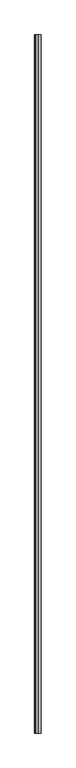
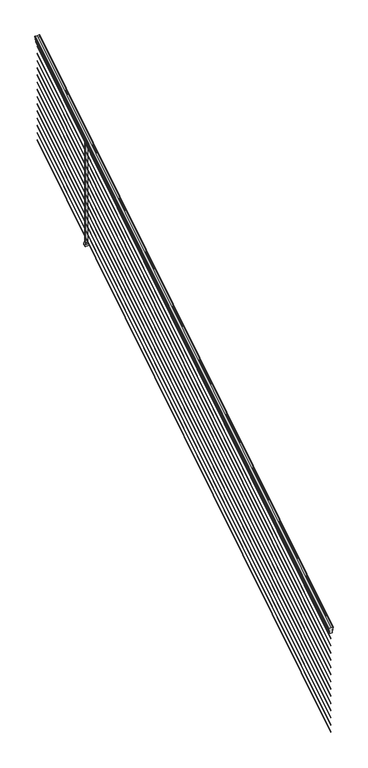
"""IFC4 building model written with IfcOpenShell, lengths in millimetres: railing geometry."""

from ifc_helpers import new_model, si_unit, frame, origin, place, context, project, spatial, polyline, ellipse_curve, outline, extrude, faceted_brep, source, transform, mapped, element, save
from ifc_brep_helpers import plane_surface, cylinder_surface, revolved_surface, advanced_brep


def railing_9344db56(model_context):
    return source(origin(), model_context, "Body", "SolidModel", [
        advanced_brep(
        [(10037.832944, -103155.6628453, 1285.6070492), (10040.4067728, -103155.6628453, 1285.6070492), (10040.4067728, -103155.6628453, 1273.0394336), (10039.3907728, -103155.6628453, 1271.841318), (10039.3907728, -103155.6628453, 1257.3), (10071.1407728, -103155.6628453, 1257.3), (10071.1407728, -103155.6628453, 1272.0274214), (10070.1247728, -103155.6628453, 1273.225537), (10070.1247728, -103155.6628453, 1285.6070492), (10072.6986015, -103155.6628453, 1285.6070492), (10072.6986015, -103155.6628453, 1287.8335658), (10073.8287878, -103155.6628453, 1289.6758543), (10073.8287878, -103155.6628453, 1298.1876358), (10073.1795314, -103155.6628453, 1301.0572588), (10075.6795314, -103155.6628453, 1306.1635509), (10077.0888739, -103155.6628453, 1308.1442021), (10077.4907729, -103155.6628453, 1309.4469579), (10077.4907728, -103155.6628453, 1311.0274846), (10075.9373255, -103155.6628453, 1312.8593836), (10055.2657728, -103155.6628453, 1312.8593836), (10034.59422, -103155.6628453, 1312.8593836), (10033.0407728, -103155.6628453, 1311.0274846), (10033.0407728, -103155.6628453, 1309.4469579), (10033.4426717, -103155.6628453, 1308.1442021), (10034.8520141, -103155.6628453, 1306.1635509), (10037.3520141, -103155.6628453, 1301.0572588), (10036.7027577, -103155.6628453, 1298.1876358), (10036.7027577, -103155.6628453, 1289.6758543), (10037.832944, -103155.6628453, 1287.8335658), (10037.832944, -98278.8628453, 4333.6070492), (10037.832944, -98278.8628453, 4335.8335658), (10036.7027577, -98278.8628453, 4337.6758543), (10036.7027577, -98278.8628453, 4346.1876358), (10037.3520141, -98278.8628453, 4349.0572588), (10034.8520141, -98278.8628453, 4354.1635509), (10033.4426717, -98278.8628453, 4356.1442021), (10033.0407727, -98278.8628453, 4357.4469579), (10033.0407728, -98278.8628453, 4359.0274846), (10034.59422, -98278.8628453, 4360.8593836), (10055.2657728, -98278.8628453, 4360.8593836), (10075.9373255, -98278.8628453, 4360.8593836), (10077.4907728, -98278.8628453, 4359.0274846), (10077.4907728, -98278.8628453, 4357.4469579), (10077.0888739, -98278.8628453, 4356.1442021), (10075.6795314, -98278.8628453, 4354.1635509), (10073.1795314, -98278.8628453, 4349.0572588), (10073.8287878, -98278.8628453, 4346.1876358), (10073.8287878, -98278.8628453, 4337.6758543), (10072.6986015, -98278.8628453, 4335.8335658), (10072.6986015, -98278.8628453, 4333.6070492), (10070.1247728, -98278.8628453, 4333.6070492), (10070.1247728, -98278.8628453, 4321.225537), (10071.1407728, -98278.8628453, 4320.0274214), (10071.1407728, -98278.8628453, 4305.3), (10039.3907728, -98278.8628453, 4305.3), (10039.3907728, -98278.8628453, 4319.841318), (10040.4067728, -98278.8628453, 4321.0394336), (10040.4067728, -98278.8628453, 4333.6070492)],
        [
            (0, 1, ellipse_curve(frame((10039.1198584, -103155.6628453, 1285.6070492), z_axis=(0.0, -1.0, 0.0), x_axis=(0.0, 0.0, -1.0)), 1.5175907, 1.2869144)),
            (1, 2),
            (2, 3),
            (3, 4),
            (4, 5),
            (5, 6),
            (6, 7),
            (7, 8),
            (8, 9, ellipse_curve(frame((10071.4116871, -103155.6628453, 1285.6070492), z_axis=(0.0, -1.0, 0.0), x_axis=(0.0, 0.0, -1.0)), 1.5175907, 1.2869144)),
            (9, 10),
            (10, 11, ellipse_curve(frame((10066.3838482, -103155.6628453, 1294.6239405), z_axis=(0.0, -1.0, 0.0), x_axis=(0.0, 0.0, -1.0)), 10.0777926, 8.545951)),
            (11, 12, ellipse_curve(frame((10066.8209112, -103155.6628453, 1293.9317451), z_axis=(0.0, -1.0, 0.0), x_axis=(0.0, 0.0, -1.0)), 9.2955186, 7.882584)),
            (12, 13, ellipse_curve(frame((10077.3342353, -103155.6628453, 1300.8275077), z_axis=(0.0, 1.0, 0.0), x_axis=(0.0, 0.0, 1.0)), 4.9048088, 4.1592695)),
            (13, 14, ellipse_curve(frame((10078.6215419, -103155.6628453, 1300.7563208), z_axis=(0.0, 1.0, 0.0), x_axis=(0.0, 0.0, 1.0)), 6.4245301, 5.4479907)),
            (14, 15, ellipse_curve(frame((10077.3883834, -103155.6628453, 1306.1602333), z_axis=(0.0, 1.0, 0.0), x_axis=(0.0, 0.0, 1.0)), 2.0151625, 1.7088543)),
            (15, 16, ellipse_curve(frame((10075.7714833, -103155.6628453, 1309.4469579), z_axis=(0.0, -1.0, 0.0), x_axis=(0.0, 0.0, -1.0)), 2.0274681, 1.7192895)),
            (16, 17),
            (17, 18, ellipse_curve(frame((10075.9373255, -103155.6628453, 1311.0274846), z_axis=(0.0, -1.0, 0.0), x_axis=(0.0, 0.0, -1.0)), 1.831899, 1.5534472)),
            (18, 19),
            (19, 20),
            (20, 21, ellipse_curve(frame((10034.59422, -103155.6628453, 1311.0274846), z_axis=(0.0, -1.0, 0.0), x_axis=(0.0, 0.0, -1.0)), 1.831899, 1.5534472)),
            (21, 22),
            (22, 23, ellipse_curve(frame((10034.7600622, -103155.6628453, 1309.4469579), z_axis=(0.0, -1.0, 0.0), x_axis=(0.0, 0.0, -1.0)), 2.0274681, 1.7192895)),
            (23, 24, ellipse_curve(frame((10033.1431621, -103155.6628453, 1306.1602333), z_axis=(0.0, 1.0, 0.0), x_axis=(0.0, 0.0, 1.0)), 2.0151625, 1.7088543)),
            (24, 25, ellipse_curve(frame((10031.9100037, -103155.6628453, 1300.7563208), z_axis=(0.0, 1.0, 0.0), x_axis=(0.0, 0.0, 1.0)), 6.4245301, 5.4479907)),
            (25, 26, ellipse_curve(frame((10033.1973102, -103155.6628453, 1300.8275077), z_axis=(0.0, 1.0, 0.0), x_axis=(0.0, 0.0, 1.0)), 4.9048088, 4.1592695)),
            (26, 27, ellipse_curve(frame((10043.7106343, -103155.6628453, 1293.9317451), z_axis=(0.0, -1.0, 0.0), x_axis=(0.0, 0.0, -1.0)), 9.2955186, 7.882584)),
            (27, 28, ellipse_curve(frame((10044.1476973, -103155.6628453, 1294.6239405), z_axis=(0.0, -1.0, 0.0), x_axis=(0.0, 0.0, -1.0)), 10.0777926, 8.545951)),
            (28, 0),
            (29, 30),
            (30, 31, ellipse_curve(frame((10044.1476973, -98278.8628453, 4342.6239405), z_axis=(0.0, 1.0, 0.0), x_axis=(0.0, 0.0, -1.0)), 10.0777926, 8.545951)),
            (31, 32, ellipse_curve(frame((10043.7106343, -98278.8628453, 4341.9317451), z_axis=(0.0, 1.0, 0.0), x_axis=(0.0, 0.0, -1.0)), 9.2955186, 7.882584)),
            (32, 33, ellipse_curve(frame((10033.1973102, -98278.8628453, 4348.8275077), z_axis=(0.0, -1.0, 0.0), x_axis=(0.0, 0.0, 1.0)), 4.9048088, 4.1592695)),
            (33, 34, ellipse_curve(frame((10031.9100037, -98278.8628453, 4348.7563208), z_axis=(0.0, -1.0, 0.0), x_axis=(0.0, 0.0, 1.0)), 6.4245301, 5.4479907)),
            (34, 35, ellipse_curve(frame((10033.1431621, -98278.8628453, 4354.1602333), z_axis=(0.0, -1.0, 0.0), x_axis=(0.0, 0.0, 1.0)), 2.0151625, 1.7088543)),
            (35, 36, ellipse_curve(frame((10034.7600622, -98278.8628453, 4357.4469579), z_axis=(0.0, 1.0, 0.0), x_axis=(0.0, 0.0, -1.0)), 2.0274681, 1.7192895)),
            (36, 37),
            (37, 38, ellipse_curve(frame((10034.59422, -98278.8628453, 4359.0274846), z_axis=(0.0, 1.0, 0.0), x_axis=(0.0, 0.0, -1.0)), 1.831899, 1.5534472)),
            (38, 39),
            (39, 40),
            (40, 41, ellipse_curve(frame((10075.9373255, -98278.8628453, 4359.0274846), z_axis=(0.0, 1.0, 0.0), x_axis=(0.0, 0.0, -1.0)), 1.831899, 1.5534472)),
            (41, 42),
            (42, 43, ellipse_curve(frame((10075.7714833, -98278.8628453, 4357.4469579), z_axis=(0.0, 1.0, 0.0), x_axis=(0.0, 0.0, -1.0)), 2.0274681, 1.7192895)),
            (43, 44, ellipse_curve(frame((10077.3883834, -98278.8628453, 4354.1602333), z_axis=(0.0, -1.0, 0.0), x_axis=(0.0, 0.0, 1.0)), 2.0151625, 1.7088543)),
            (44, 45, ellipse_curve(frame((10078.6215419, -98278.8628453, 4348.7563208), z_axis=(0.0, -1.0, 0.0), x_axis=(0.0, 0.0, 1.0)), 6.4245301, 5.4479907)),
            (45, 46, ellipse_curve(frame((10077.3342353, -98278.8628453, 4348.8275077), z_axis=(0.0, -1.0, 0.0), x_axis=(0.0, 0.0, 1.0)), 4.9048088, 4.1592695)),
            (46, 47, ellipse_curve(frame((10066.8209112, -98278.8628453, 4341.9317451), z_axis=(0.0, 1.0, 0.0), x_axis=(0.0, 0.0, -1.0)), 9.2955186, 7.882584)),
            (47, 48, ellipse_curve(frame((10066.3838482, -98278.8628453, 4342.6239405), z_axis=(0.0, 1.0, 0.0), x_axis=(0.0, 0.0, -1.0)), 10.0777926, 8.545951)),
            (48, 49),
            (49, 50, ellipse_curve(frame((10071.4116871, -98278.8628453, 4333.6070492), z_axis=(0.0, 1.0, 0.0), x_axis=(0.0, 0.0, -1.0)), 1.5175907, 1.2869144)),
            (50, 51),
            (51, 52),
            (52, 53),
            (53, 54),
            (54, 55),
            (55, 56),
            (56, 57),
            (57, 29, ellipse_curve(frame((10039.1198584, -98278.8628453, 4333.6070492), z_axis=(0.0, 1.0, 0.0), x_axis=(0.0, 0.0, -1.0)), 1.5175907, 1.2869144)),
            (28, 30),
            (29, 0),
            (27, 31),
            (26, 32),
            (25, 33),
            (24, 34),
            (23, 35),
            (22, 36),
            (21, 37),
            (20, 38),
            (19, 39),
            (18, 40),
            (17, 41),
            (16, 42),
            (15, 43),
            (14, 44),
            (13, 45),
            (12, 46),
            (11, 47),
            (10, 48),
            (9, 49),
            (8, 50),
            (7, 51),
            (6, 52),
            (5, 53),
            (4, 54),
            (3, 55),
            (2, 56),
            (1, 57),
        ],
        [
            plane_surface(frame((10055.2657728, -103155.6628453, 1257.3), z_axis=(0.0, -1.0, 0.0), x_axis=(0.0, 0.0, 1.0))),
            plane_surface(frame((10055.2657728, -98278.8628453, 4305.3), z_axis=(0.0, 1.0, 0.0), x_axis=(0.0, 0.0, 1.0))),
            plane_surface(frame((10037.832944, -103155.6628453, 1287.8335658), z_axis=(-1.0, 0.0, 0.0), x_axis=(0.0, 0.8479983040051252, 0.5299989400031204))),
            cylinder_surface(frame((10044.1476973, -103172.43765, 1284.1396876), z_axis=(0.0, -0.8479983040051253, -0.5299989400031204), x_axis=(1.0, 0.0, 0.0)), 8.545951),
            cylinder_surface(frame((10043.7106343, -103172.1265509, 1283.641929), z_axis=(0.0, -0.8479983040051253, -0.5299989400031204), x_axis=(1.0, 0.0, 0.0)), 7.882584),
            revolved_surface(polyline([(10037.3565797, -98276.65843685035, 4350.2052629805585), (10037.3565797, -103157.86725374944, 1299.449752419102)]), (10033.1973102, -103175.2257701, 1288.6006797), (0.0, 0.8479983040051253, 0.5299989400031204)),
            revolved_surface(polyline([(10037.357994400001, -98275.97541603574, 4350.5609640771845), (10037.357994400001, -103158.5502745528, 1298.9516775044929)]), (10031.9100037, -103175.193776, 1288.5494891), (0.0, 0.8479983040051253, 0.5299989400031204)),
            revolved_surface(polyline([(10034.8520164, -98277.95715429979, 4354.726290199658), (10034.8520164, -103156.56853632248, 1305.5941764359545)]), (10033.1431621, -103177.6225007, 1292.4354487), (0.0, 0.8479983040051253, 0.5299989400031204)),
            cylinder_surface(frame((10034.7600622, -103179.0996803, 1294.798936), z_axis=(0.0, -0.8479983040051253, -0.5299989400031204), x_axis=(1.0, 0.0, 0.0)), 1.7192895),
            plane_surface(frame((10033.0407728, -103155.6628453, 1311.0274846), z_axis=(-1.0000000000000002, 0.0, 0.0), x_axis=(0.0, 0.8479983040051253, 0.5299989400031204))),
            cylinder_surface(frame((10034.59422, -103179.8100294, 1295.9354945), z_axis=(0.0, -0.8479983040051253, -0.5299989400031204), x_axis=(1.0, 0.0, 0.0)), 1.5534472),
            plane_surface(frame((10055.2657728, -103155.6628453, 1312.8593836), z_axis=(0.0, -0.5299989400031204, 0.8479983040051252), x_axis=(0.0, 0.8479983040051252, 0.5299989400031204))),
            plane_surface(frame((10075.9373255, -103155.6628453, 1312.8593836), z_axis=(0.0, -0.5299989400031204, 0.8479983040051252), x_axis=(0.0, 0.8479983040051252, 0.5299989400031204))),
            cylinder_surface(frame((10075.9373255, -103179.8100294, 1295.9354945), z_axis=(0.0, -0.8479983040051253, -0.5299989400031204), x_axis=(-1.0, 0.0, 0.0)), 1.5534472),
            plane_surface(frame((10077.4907728, -103155.6628453, 1309.4469579), z_axis=(1.0, 0.0, 0.0), x_axis=(0.0, 0.8479983040051252, 0.5299989400031204))),
            cylinder_surface(frame((10075.7714833, -103179.0996803, 1294.798936), z_axis=(0.0, -0.8479983040051253, -0.5299989400031204), x_axis=(-1.0, 0.0, 0.0)), 1.7192895),
            revolved_surface(polyline([(10075.6795291, -98277.95715429979, 4354.726290199658), (10075.6795291, -103156.56853632248, 1305.5941764359545)]), (10077.3883834, -103177.6225007, 1292.4354487), (0.0, 0.8479983040051253, 0.5299989400031204)),
            revolved_surface(polyline([(10073.1735512, -98275.97541603574, 4350.5609640771845), (10073.1735512, -103158.5502745528, 1298.9516775044929)]), (10078.6215419, -103175.193776, 1288.5494891), (0.0, 0.8479983040051253, 0.5299989400031204)),
            revolved_surface(polyline([(10073.1749658, -98276.65843685035, 4350.2052629805585), (10073.1749658, -103157.86725374944, 1299.449752419102)]), (10077.3342353, -103175.2257701, 1288.6006797), (0.0, 0.8479983040051253, 0.5299989400031204)),
            cylinder_surface(frame((10066.8209112, -103172.1265509, 1283.641929), z_axis=(0.0, -0.8479983040051253, -0.5299989400031204), x_axis=(-1.0, 0.0, 0.0)), 7.882584),
            cylinder_surface(frame((10066.3838482, -103172.43765, 1284.1396876), z_axis=(0.0, -0.8479983040051253, -0.5299989400031204), x_axis=(-1.0, 0.0, 0.0)), 8.545951),
            plane_surface(frame((10072.6986015, -103155.6628453, 1285.6070492), z_axis=(1.0, 0.0, 0.0), x_axis=(0.0, 0.8479983040051252, 0.5299989400031204))),
            cylinder_surface(frame((10071.4116871, -103168.3851146, 1277.6556309), z_axis=(0.0, -0.8479983040051253, -0.5299989400031204), x_axis=(-1.0, 0.0, 0.0)), 1.2869144),
            plane_surface(frame((10070.1247728, -103155.6628453, 1273.225537), z_axis=(1.0, 0.0, 0.0), x_axis=(0.0, 0.8479983040051252, 0.5299989400031204))),
            plane_surface(frame((10071.1407728, -103155.6628453, 1272.0274214), z_axis=(0.7071067811865425, -0.3747658444978923, 0.5996253511967194), x_axis=(0.0, 0.8479983040051252, 0.5299989400031204))),
            plane_surface(frame((10071.1407728, -103155.6628453, 1257.3), z_axis=(1.0, 0.0, 0.0), x_axis=(0.0, 0.8479983040051252, 0.5299989400031204))),
            plane_surface(frame((10039.3907728, -103155.6628453, 1257.3), z_axis=(0.0, 0.5299989400031204, -0.8479983040051252), x_axis=(0.0, 0.8479983040051252, 0.5299989400031204))),
            plane_surface(frame((10039.3907728, -103155.6628453, 1271.841318), z_axis=(-1.0, 0.0, 0.0), x_axis=(0.0, 0.8479983040051253, 0.5299989400031203))),
            plane_surface(frame((10040.4067728, -103155.6628453, 1273.0394336), z_axis=(-0.7071067811865404, -0.3747658444978917, 0.5996253511967224), x_axis=(0.0, 0.8479983040051253, 0.5299989400031204))),
            plane_surface(frame((10040.4067728, -103155.6628453, 1285.6070492), z_axis=(-1.0, 0.0, 0.0), x_axis=(0.0, 0.8479983040051252, 0.5299989400031204))),
            cylinder_surface(frame((10039.1198584, -103168.3851146, 1277.6556309), z_axis=(0.0, -0.8479983040051253, -0.5299989400031204), x_axis=(1.0, 0.0, 0.0)), 1.2869144),
        ],
        [
            (0, [[1, 2, 3, 4, 5, 6, 7, 8, 9, 10, 11, 12, 13, 14, 15, 16, 17, 18, 19, 20, 21, 22, 23, 24, 25, 26, 27, 28, 29]]),
            (1, [[30, 31, 32, 33, 34, 35, 36, 37, 38, 39, 40, 41, 42, 43, 44, 45, 46, 47, 48, 49, 50, 51, 52, 53, 54, 55, 56, 57, 58]]),
            (2, [[-29, 59, -30, 60]]),
            (3, [[-28, 61, -31, -59]]),
            (4, [[-27, 62, -32, -61]]),
            (5, [[-26, 63, -33, -62]]),
            (6, [[-25, 64, -34, -63]]),
            (7, [[-24, 65, -35, -64]]),
            (8, [[-23, 66, -36, -65]]),
            (9, [[-22, 67, -37, -66]]),
            (10, [[-21, 68, -38, -67]]),
            (11, [[-20, 69, -39, -68]]),
            (12, [[-19, 70, -40, -69]]),
            (13, [[-18, 71, -41, -70]]),
            (14, [[-17, 72, -42, -71]]),
            (15, [[-16, 73, -43, -72]]),
            (16, [[-15, 74, -44, -73]]),
            (17, [[-14, 75, -45, -74]]),
            (18, [[-13, 76, -46, -75]]),
            (19, [[-12, 77, -47, -76]]),
            (20, [[-11, 78, -48, -77]]),
            (21, [[-10, 79, -49, -78]]),
            (22, [[-9, 80, -50, -79]]),
            (23, [[-8, 81, -51, -80]]),
            (24, [[-7, 82, -52, -81]]),
            (25, [[-6, 83, -53, -82]]),
            (26, [[-5, 84, -54, -83]]),
            (27, [[-4, 85, -55, -84]]),
            (28, [[-3, 86, -56, -85]]),
            (29, [[-2, 87, -57, -86]]),
            (30, [[-1, -60, -58, -87]]),
        ],
    ),
        advanced_brep(
        [(10056.8532728, -103155.6628453, 255.524), (10055.2657728, -103155.6628453, 257.3960556), (10053.6782728, -103155.6628453, 255.524), (10055.2657728, -103155.6628453, 253.6519444), (10056.8532728, -98278.8628453, 3303.524), (10055.2657728, -98278.8628453, 3301.6519444), (10053.6782728, -98278.8628453, 3303.524), (10055.2657728, -98278.8628453, 3305.3960556)],
        [
            (0, 1, ellipse_curve(frame((10055.2657728, -103155.6628453, 255.524), z_axis=(0.0, -1.0, 0.0), x_axis=(0.0, 0.0, -1.0)), 1.8720556, 1.5875)),
            (1, 2, ellipse_curve(frame((10055.2657728, -103155.6628453, 255.524), z_axis=(0.0, -1.0, 0.0), x_axis=(0.0, 0.0, -1.0)), 1.8720556, 1.5875)),
            (2, 3, ellipse_curve(frame((10055.2657728, -103155.6628453, 255.524), z_axis=(0.0, -1.0, 0.0), x_axis=(0.0, 0.0, -1.0)), 1.8720556, 1.5875)),
            (3, 0, ellipse_curve(frame((10055.2657728, -103155.6628453, 255.524), z_axis=(0.0, -1.0, 0.0), x_axis=(0.0, 0.0, -1.0)), 1.8720556, 1.5875)),
            (4, 5, ellipse_curve(frame((10055.2657728, -98278.8628453, 3303.524), z_axis=(0.0, 1.0, 0.0), x_axis=(0.0, 0.0, -1.0)), 1.8720556, 1.5875)),
            (5, 6, ellipse_curve(frame((10055.2657728, -98278.8628453, 3303.524), z_axis=(0.0, 1.0, 0.0), x_axis=(0.0, 0.0, -1.0)), 1.8720556, 1.5875)),
            (6, 7, ellipse_curve(frame((10055.2657728, -98278.8628453, 3303.524), z_axis=(0.0, 1.0, 0.0), x_axis=(0.0, 0.0, -1.0)), 1.8720556, 1.5875)),
            (7, 4, ellipse_curve(frame((10055.2657728, -98278.8628453, 3303.524), z_axis=(0.0, 1.0, 0.0), x_axis=(0.0, 0.0, -1.0)), 1.8720556, 1.5875)),
            (3, 5),
            (4, 0),
            (2, 6),
            (1, 7),
        ],
        [
            plane_surface(frame((10055.2657728, -103155.6628453, 255.524), z_axis=(0.0, -1.0, 0.0), x_axis=(0.0, 0.0, 1.0))),
            plane_surface(frame((10055.2657728, -98278.8628453, 3303.524), z_axis=(0.0, 1.0, 0.0), x_axis=(0.0, 0.0, 1.0))),
            cylinder_surface(frame((10055.2657728, -103155.6628453, 255.524), z_axis=(0.0, -0.8479983040051253, -0.5299989400031204), x_axis=(1.0, 0.0, 0.0)), 1.5875),
        ],
        [
            (0, [[1, 2, 3, 4]]),
            (1, [[5, 6, 7, 8]]),
            (2, [[-4, 9, -5, 10]]),
            (2, [[-3, 11, -6, -9]]),
            (2, [[-2, 12, -7, -11]]),
            (2, [[-1, -10, -8, -12]]),
        ],
    ),
        advanced_brep(
        [(10056.8532728, -103155.6628453, 328.676), (10055.2657728, -103155.6628453, 330.5480556), (10053.6782728, -103155.6628453, 328.676), (10055.2657728, -103155.6628453, 326.8039444), (10056.8532728, -98278.8628453, 3376.676), (10055.2657728, -98278.8628453, 3374.8039444), (10053.6782728, -98278.8628453, 3376.676), (10055.2657728, -98278.8628453, 3378.5480556)],
        [
            (0, 1, ellipse_curve(frame((10055.2657728, -103155.6628453, 328.676), z_axis=(0.0, -1.0, 0.0), x_axis=(0.0, 0.0, -1.0)), 1.8720556, 1.5875)),
            (1, 2, ellipse_curve(frame((10055.2657728, -103155.6628453, 328.676), z_axis=(0.0, -1.0, 0.0), x_axis=(0.0, 0.0, -1.0)), 1.8720556, 1.5875)),
            (2, 3, ellipse_curve(frame((10055.2657728, -103155.6628453, 328.676), z_axis=(0.0, -1.0, 0.0), x_axis=(0.0, 0.0, -1.0)), 1.8720556, 1.5875)),
            (3, 0, ellipse_curve(frame((10055.2657728, -103155.6628453, 328.676), z_axis=(0.0, -1.0, 0.0), x_axis=(0.0, 0.0, -1.0)), 1.8720556, 1.5875)),
            (4, 5, ellipse_curve(frame((10055.2657728, -98278.8628453, 3376.676), z_axis=(0.0, 1.0, 0.0), x_axis=(0.0, 0.0, -1.0)), 1.8720556, 1.5875)),
            (5, 6, ellipse_curve(frame((10055.2657728, -98278.8628453, 3376.676), z_axis=(0.0, 1.0, 0.0), x_axis=(0.0, 0.0, -1.0)), 1.8720556, 1.5875)),
            (6, 7, ellipse_curve(frame((10055.2657728, -98278.8628453, 3376.676), z_axis=(0.0, 1.0, 0.0), x_axis=(0.0, 0.0, -1.0)), 1.8720556, 1.5875)),
            (7, 4, ellipse_curve(frame((10055.2657728, -98278.8628453, 3376.676), z_axis=(0.0, 1.0, 0.0), x_axis=(0.0, 0.0, -1.0)), 1.8720556, 1.5875)),
            (0, 4),
            (7, 1),
            (6, 2),
            (5, 3),
        ],
        [
            plane_surface(frame((10055.2657728, -103155.6628453, 328.676), z_axis=(0.0, -1.0, 0.0), x_axis=(0.0, 0.0, 1.0))),
            plane_surface(frame((10055.2657728, -98278.8628453, 3376.676), z_axis=(0.0, 1.0, 0.0), x_axis=(0.0, 0.0, 1.0))),
            cylinder_surface(frame((10055.2657728, -103155.6628453, 328.676), z_axis=(0.0, -0.8479983040051253, -0.5299989400031204), x_axis=(1.0, 0.0, 0.0)), 1.5875),
        ],
        [
            (0, [[1, 2, 3, 4]]),
            (1, [[5, 6, 7, 8]]),
            (2, [[-1, 9, -8, 10]]),
            (2, [[-2, -10, -7, 11]]),
            (2, [[-3, -11, -6, 12]]),
            (2, [[-4, -12, -5, -9]]),
        ],
    ),
        advanced_brep(
        [(10056.8532728, -103155.6628453, 401.574), (10055.2657728, -103155.6628453, 403.4460556), (10053.6782728, -103155.6628453, 401.574), (10055.2657728, -103155.6628453, 399.7019444), (10056.8532728, -98278.8628453, 3449.574), (10055.2657728, -98278.8628453, 3447.7019444), (10053.6782728, -98278.8628453, 3449.574), (10055.2657728, -98278.8628453, 3451.4460556)],
        [
            (0, 1, ellipse_curve(frame((10055.2657728, -103155.6628453, 401.574), z_axis=(0.0, -1.0, 0.0), x_axis=(0.0, 0.0, -1.0)), 1.8720556, 1.5875)),
            (1, 2, ellipse_curve(frame((10055.2657728, -103155.6628453, 401.574), z_axis=(0.0, -1.0, 0.0), x_axis=(0.0, 0.0, -1.0)), 1.8720556, 1.5875)),
            (2, 3, ellipse_curve(frame((10055.2657728, -103155.6628453, 401.574), z_axis=(0.0, -1.0, 0.0), x_axis=(0.0, 0.0, -1.0)), 1.8720556, 1.5875)),
            (3, 0, ellipse_curve(frame((10055.2657728, -103155.6628453, 401.574), z_axis=(0.0, -1.0, 0.0), x_axis=(0.0, 0.0, -1.0)), 1.8720556, 1.5875)),
            (4, 5, ellipse_curve(frame((10055.2657728, -98278.8628453, 3449.574), z_axis=(0.0, 1.0, 0.0), x_axis=(0.0, 0.0, -1.0)), 1.8720556, 1.5875)),
            (5, 6, ellipse_curve(frame((10055.2657728, -98278.8628453, 3449.574), z_axis=(0.0, 1.0, 0.0), x_axis=(0.0, 0.0, -1.0)), 1.8720556, 1.5875)),
            (6, 7, ellipse_curve(frame((10055.2657728, -98278.8628453, 3449.574), z_axis=(0.0, 1.0, 0.0), x_axis=(0.0, 0.0, -1.0)), 1.8720556, 1.5875)),
            (7, 4, ellipse_curve(frame((10055.2657728, -98278.8628453, 3449.574), z_axis=(0.0, 1.0, 0.0), x_axis=(0.0, 0.0, -1.0)), 1.8720556, 1.5875)),
            (0, 4),
            (7, 1),
            (6, 2),
            (5, 3),
        ],
        [
            plane_surface(frame((10055.2657728, -103155.6628453, 401.574), z_axis=(0.0, -1.0, 0.0), x_axis=(0.0, 0.0, 1.0))),
            plane_surface(frame((10055.2657728, -98278.8628453, 3449.574), z_axis=(0.0, 1.0, 0.0), x_axis=(0.0, 0.0, 1.0))),
            cylinder_surface(frame((10055.2657728, -103155.6628453, 401.574), z_axis=(0.0, -0.8479983040051253, -0.5299989400031204), x_axis=(1.0, 0.0, 0.0)), 1.5875),
        ],
        [
            (0, [[1, 2, 3, 4]]),
            (1, [[5, 6, 7, 8]]),
            (2, [[-1, 9, -8, 10]]),
            (2, [[-2, -10, -7, 11]]),
            (2, [[-3, -11, -6, 12]]),
            (2, [[-4, -12, -5, -9]]),
        ],
    ),
        advanced_brep(
        [(10056.8532728, -103155.6628453, 474.726), (10055.2657728, -103155.6628453, 476.5980556), (10053.6782728, -103155.6628453, 474.726), (10055.2657728, -103155.6628453, 472.8539444), (10056.8532728, -98278.8628453, 3522.726), (10055.2657728, -98278.8628453, 3520.8539444), (10053.6782728, -98278.8628453, 3522.726), (10055.2657728, -98278.8628453, 3524.5980556)],
        [
            (0, 1, ellipse_curve(frame((10055.2657728, -103155.6628453, 474.726), z_axis=(0.0, -1.0, 0.0), x_axis=(0.0, 0.0, -1.0)), 1.8720556, 1.5875)),
            (1, 2, ellipse_curve(frame((10055.2657728, -103155.6628453, 474.726), z_axis=(0.0, -1.0, 0.0), x_axis=(0.0, 0.0, -1.0)), 1.8720556, 1.5875)),
            (2, 3, ellipse_curve(frame((10055.2657728, -103155.6628453, 474.726), z_axis=(0.0, -1.0, 0.0), x_axis=(0.0, 0.0, -1.0)), 1.8720556, 1.5875)),
            (3, 0, ellipse_curve(frame((10055.2657728, -103155.6628453, 474.726), z_axis=(0.0, -1.0, 0.0), x_axis=(0.0, 0.0, -1.0)), 1.8720556, 1.5875)),
            (4, 5, ellipse_curve(frame((10055.2657728, -98278.8628453, 3522.726), z_axis=(0.0, 1.0, 0.0), x_axis=(0.0, 0.0, -1.0)), 1.8720556, 1.5875)),
            (5, 6, ellipse_curve(frame((10055.2657728, -98278.8628453, 3522.726), z_axis=(0.0, 1.0, 0.0), x_axis=(0.0, 0.0, -1.0)), 1.8720556, 1.5875)),
            (6, 7, ellipse_curve(frame((10055.2657728, -98278.8628453, 3522.726), z_axis=(0.0, 1.0, 0.0), x_axis=(0.0, 0.0, -1.0)), 1.8720556, 1.5875)),
            (7, 4, ellipse_curve(frame((10055.2657728, -98278.8628453, 3522.726), z_axis=(0.0, 1.0, 0.0), x_axis=(0.0, 0.0, -1.0)), 1.8720556, 1.5875)),
            (0, 4),
            (7, 1),
            (6, 2),
            (5, 3),
        ],
        [
            plane_surface(frame((10055.2657728, -103155.6628453, 474.726), z_axis=(0.0, -1.0, 0.0), x_axis=(0.0, 0.0, 1.0))),
            plane_surface(frame((10055.2657728, -98278.8628453, 3522.726), z_axis=(0.0, 1.0, 0.0), x_axis=(0.0, 0.0, 1.0))),
            cylinder_surface(frame((10055.2657728, -103155.6628453, 474.726), z_axis=(0.0, -0.8479983040051253, -0.5299989400031204), x_axis=(1.0, 0.0, 0.0)), 1.5875),
        ],
        [
            (0, [[1, 2, 3, 4]]),
            (1, [[5, 6, 7, 8]]),
            (2, [[-1, 9, -8, 10]]),
            (2, [[-2, -10, -7, 11]]),
            (2, [[-3, -11, -6, 12]]),
            (2, [[-4, -12, -5, -9]]),
        ],
    ),
        advanced_brep(
        [(10056.8532728, -103155.6628453, 547.624), (10055.2657728, -103155.6628453, 549.4960556), (10053.6782728, -103155.6628453, 547.624), (10055.2657728, -103155.6628453, 545.7519444), (10056.8532728, -98278.8628453, 3595.624), (10055.2657728, -98278.8628453, 3593.7519444), (10053.6782728, -98278.8628453, 3595.624), (10055.2657728, -98278.8628453, 3597.4960556)],
        [
            (0, 1, ellipse_curve(frame((10055.2657728, -103155.6628453, 547.624), z_axis=(0.0, -1.0, 0.0), x_axis=(0.0, 0.0, -1.0)), 1.8720556, 1.5875)),
            (1, 2, ellipse_curve(frame((10055.2657728, -103155.6628453, 547.624), z_axis=(0.0, -1.0, 0.0), x_axis=(0.0, 0.0, -1.0)), 1.8720556, 1.5875)),
            (2, 3, ellipse_curve(frame((10055.2657728, -103155.6628453, 547.624), z_axis=(0.0, -1.0, 0.0), x_axis=(0.0, 0.0, -1.0)), 1.8720556, 1.5875)),
            (3, 0, ellipse_curve(frame((10055.2657728, -103155.6628453, 547.624), z_axis=(0.0, -1.0, 0.0), x_axis=(0.0, 0.0, -1.0)), 1.8720556, 1.5875)),
            (4, 5, ellipse_curve(frame((10055.2657728, -98278.8628453, 3595.624), z_axis=(0.0, 1.0, 0.0), x_axis=(0.0, 0.0, -1.0)), 1.8720556, 1.5875)),
            (5, 6, ellipse_curve(frame((10055.2657728, -98278.8628453, 3595.624), z_axis=(0.0, 1.0, 0.0), x_axis=(0.0, 0.0, -1.0)), 1.8720556, 1.5875)),
            (6, 7, ellipse_curve(frame((10055.2657728, -98278.8628453, 3595.624), z_axis=(0.0, 1.0, 0.0), x_axis=(0.0, 0.0, -1.0)), 1.8720556, 1.5875)),
            (7, 4, ellipse_curve(frame((10055.2657728, -98278.8628453, 3595.624), z_axis=(0.0, 1.0, 0.0), x_axis=(0.0, 0.0, -1.0)), 1.8720556, 1.5875)),
            (0, 4),
            (7, 1),
            (6, 2),
            (5, 3),
        ],
        [
            plane_surface(frame((10055.2657728, -103155.6628453, 547.624), z_axis=(0.0, -1.0, 0.0), x_axis=(0.0, 0.0, 1.0))),
            plane_surface(frame((10055.2657728, -98278.8628453, 3595.624), z_axis=(0.0, 1.0, 0.0), x_axis=(0.0, 0.0, 1.0))),
            cylinder_surface(frame((10055.2657728, -103155.6628453, 547.624), z_axis=(0.0, -0.8479983040051253, -0.5299989400031204), x_axis=(1.0, 0.0, 0.0)), 1.5875),
        ],
        [
            (0, [[1, 2, 3, 4]]),
            (1, [[5, 6, 7, 8]]),
            (2, [[-1, 9, -8, 10]]),
            (2, [[-2, -10, -7, 11]]),
            (2, [[-3, -11, -6, 12]]),
            (2, [[-4, -12, -5, -9]]),
        ],
    ),
        advanced_brep(
        [(10056.8532728, -103155.6628453, 620.776), (10055.2657728, -103155.6628453, 622.6480556), (10053.6782728, -103155.6628453, 620.776), (10055.2657728, -103155.6628453, 618.9039444), (10056.8532728, -98278.8628453, 3668.776), (10055.2657728, -98278.8628453, 3666.9039444), (10053.6782728, -98278.8628453, 3668.776), (10055.2657728, -98278.8628453, 3670.6480556)],
        [
            (0, 1, ellipse_curve(frame((10055.2657728, -103155.6628453, 620.776), z_axis=(0.0, -1.0, 0.0), x_axis=(0.0, 0.0, -1.0)), 1.8720556, 1.5875)),
            (1, 2, ellipse_curve(frame((10055.2657728, -103155.6628453, 620.776), z_axis=(0.0, -1.0, 0.0), x_axis=(0.0, 0.0, -1.0)), 1.8720556, 1.5875)),
            (2, 3, ellipse_curve(frame((10055.2657728, -103155.6628453, 620.776), z_axis=(0.0, -1.0, 0.0), x_axis=(0.0, 0.0, -1.0)), 1.8720556, 1.5875)),
            (3, 0, ellipse_curve(frame((10055.2657728, -103155.6628453, 620.776), z_axis=(0.0, -1.0, 0.0), x_axis=(0.0, 0.0, -1.0)), 1.8720556, 1.5875)),
            (4, 5, ellipse_curve(frame((10055.2657728, -98278.8628453, 3668.776), z_axis=(0.0, 1.0, 0.0), x_axis=(0.0, 0.0, -1.0)), 1.8720556, 1.5875)),
            (5, 6, ellipse_curve(frame((10055.2657728, -98278.8628453, 3668.776), z_axis=(0.0, 1.0, 0.0), x_axis=(0.0, 0.0, -1.0)), 1.8720556, 1.5875)),
            (6, 7, ellipse_curve(frame((10055.2657728, -98278.8628453, 3668.776), z_axis=(0.0, 1.0, 0.0), x_axis=(0.0, 0.0, -1.0)), 1.8720556, 1.5875)),
            (7, 4, ellipse_curve(frame((10055.2657728, -98278.8628453, 3668.776), z_axis=(0.0, 1.0, 0.0), x_axis=(0.0, 0.0, -1.0)), 1.8720556, 1.5875)),
            (0, 4),
            (7, 1),
            (6, 2),
            (5, 3),
        ],
        [
            plane_surface(frame((10055.2657728, -103155.6628453, 620.776), z_axis=(0.0, -1.0, 0.0), x_axis=(0.0, 0.0, 1.0))),
            plane_surface(frame((10055.2657728, -98278.8628453, 3668.776), z_axis=(0.0, 1.0, 0.0), x_axis=(0.0, 0.0, 1.0))),
            cylinder_surface(frame((10055.2657728, -103155.6628453, 620.776), z_axis=(0.0, -0.8479983040051253, -0.5299989400031204), x_axis=(1.0, 0.0, 0.0)), 1.5875),
        ],
        [
            (0, [[1, 2, 3, 4]]),
            (1, [[5, 6, 7, 8]]),
            (2, [[-1, 9, -8, 10]]),
            (2, [[-2, -10, -7, 11]]),
            (2, [[-3, -11, -6, 12]]),
            (2, [[-4, -12, -5, -9]]),
        ],
    ),
        advanced_brep(
        [(10056.8532728, -103155.6628453, 693.674), (10055.2657728, -103155.6628453, 695.5460556), (10053.6782728, -103155.6628453, 693.674), (10055.2657728, -103155.6628453, 691.8019444), (10056.8532728, -98278.8628453, 3741.674), (10055.2657728, -98278.8628453, 3739.8019444), (10053.6782728, -98278.8628453, 3741.674), (10055.2657728, -98278.8628453, 3743.5460556)],
        [
            (0, 1, ellipse_curve(frame((10055.2657728, -103155.6628453, 693.674), z_axis=(0.0, -1.0, 0.0), x_axis=(0.0, 0.0, -1.0)), 1.8720556, 1.5875)),
            (1, 2, ellipse_curve(frame((10055.2657728, -103155.6628453, 693.674), z_axis=(0.0, -1.0, 0.0), x_axis=(0.0, 0.0, -1.0)), 1.8720556, 1.5875)),
            (2, 3, ellipse_curve(frame((10055.2657728, -103155.6628453, 693.674), z_axis=(0.0, -1.0, 0.0), x_axis=(0.0, 0.0, -1.0)), 1.8720556, 1.5875)),
            (3, 0, ellipse_curve(frame((10055.2657728, -103155.6628453, 693.674), z_axis=(0.0, -1.0, 0.0), x_axis=(0.0, 0.0, -1.0)), 1.8720556, 1.5875)),
            (4, 5, ellipse_curve(frame((10055.2657728, -98278.8628453, 3741.674), z_axis=(0.0, 1.0, 0.0), x_axis=(0.0, 0.0, -1.0)), 1.8720556, 1.5875)),
            (5, 6, ellipse_curve(frame((10055.2657728, -98278.8628453, 3741.674), z_axis=(0.0, 1.0, 0.0), x_axis=(0.0, 0.0, -1.0)), 1.8720556, 1.5875)),
            (6, 7, ellipse_curve(frame((10055.2657728, -98278.8628453, 3741.674), z_axis=(0.0, 1.0, 0.0), x_axis=(0.0, 0.0, -1.0)), 1.8720556, 1.5875)),
            (7, 4, ellipse_curve(frame((10055.2657728, -98278.8628453, 3741.674), z_axis=(0.0, 1.0, 0.0), x_axis=(0.0, 0.0, -1.0)), 1.8720556, 1.5875)),
            (0, 4),
            (7, 1),
            (6, 2),
            (5, 3),
        ],
        [
            plane_surface(frame((10055.2657728, -103155.6628453, 693.674), z_axis=(0.0, -1.0, 0.0), x_axis=(0.0, 0.0, 1.0))),
            plane_surface(frame((10055.2657728, -98278.8628453, 3741.674), z_axis=(0.0, 1.0, 0.0), x_axis=(0.0, 0.0, 1.0))),
            cylinder_surface(frame((10055.2657728, -103155.6628453, 693.674), z_axis=(0.0, -0.8479983040051253, -0.5299989400031204), x_axis=(1.0, 0.0, 0.0)), 1.5875),
        ],
        [
            (0, [[1, 2, 3, 4]]),
            (1, [[5, 6, 7, 8]]),
            (2, [[-1, 9, -8, 10]]),
            (2, [[-2, -10, -7, 11]]),
            (2, [[-3, -11, -6, 12]]),
            (2, [[-4, -12, -5, -9]]),
        ],
    ),
        advanced_brep(
        [(10056.8532728, -103155.6628453, 766.826), (10055.2657728, -103155.6628453, 768.6980556), (10053.6782728, -103155.6628453, 766.826), (10055.2657728, -103155.6628453, 764.9539444), (10056.8532728, -98278.8628453, 3814.826), (10055.2657728, -98278.8628453, 3812.9539444), (10053.6782728, -98278.8628453, 3814.826), (10055.2657728, -98278.8628453, 3816.6980556)],
        [
            (0, 1, ellipse_curve(frame((10055.2657728, -103155.6628453, 766.826), z_axis=(0.0, -1.0, 0.0), x_axis=(0.0, 0.0, -1.0)), 1.8720556, 1.5875)),
            (1, 2, ellipse_curve(frame((10055.2657728, -103155.6628453, 766.826), z_axis=(0.0, -1.0, 0.0), x_axis=(0.0, 0.0, -1.0)), 1.8720556, 1.5875)),
            (2, 3, ellipse_curve(frame((10055.2657728, -103155.6628453, 766.826), z_axis=(0.0, -1.0, 0.0), x_axis=(0.0, 0.0, -1.0)), 1.8720556, 1.5875)),
            (3, 0, ellipse_curve(frame((10055.2657728, -103155.6628453, 766.826), z_axis=(0.0, -1.0, 0.0), x_axis=(0.0, 0.0, -1.0)), 1.8720556, 1.5875)),
            (4, 5, ellipse_curve(frame((10055.2657728, -98278.8628453, 3814.826), z_axis=(0.0, 1.0, 0.0), x_axis=(0.0, 0.0, -1.0)), 1.8720556, 1.5875)),
            (5, 6, ellipse_curve(frame((10055.2657728, -98278.8628453, 3814.826), z_axis=(0.0, 1.0, 0.0), x_axis=(0.0, 0.0, -1.0)), 1.8720556, 1.5875)),
            (6, 7, ellipse_curve(frame((10055.2657728, -98278.8628453, 3814.826), z_axis=(0.0, 1.0, 0.0), x_axis=(0.0, 0.0, -1.0)), 1.8720556, 1.5875)),
            (7, 4, ellipse_curve(frame((10055.2657728, -98278.8628453, 3814.826), z_axis=(0.0, 1.0, 0.0), x_axis=(0.0, 0.0, -1.0)), 1.8720556, 1.5875)),
            (0, 4),
            (7, 1),
            (6, 2),
            (5, 3),
        ],
        [
            plane_surface(frame((10055.2657728, -103155.6628453, 766.826), z_axis=(0.0, -1.0, 0.0), x_axis=(0.0, 0.0, 1.0))),
            plane_surface(frame((10055.2657728, -98278.8628453, 3814.826), z_axis=(0.0, 1.0, 0.0), x_axis=(0.0, 0.0, 1.0))),
            cylinder_surface(frame((10055.2657728, -103155.6628453, 766.826), z_axis=(0.0, -0.8479983040051253, -0.5299989400031204), x_axis=(1.0, 0.0, 0.0)), 1.5875),
        ],
        [
            (0, [[1, 2, 3, 4]]),
            (1, [[5, 6, 7, 8]]),
            (2, [[-1, 9, -8, 10]]),
            (2, [[-2, -10, -7, 11]]),
            (2, [[-3, -11, -6, 12]]),
            (2, [[-4, -12, -5, -9]]),
        ],
    ),
        advanced_brep(
        [(10056.8532728, -103155.6628453, 839.724), (10055.2657728, -103155.6628453, 841.5960556), (10053.6782728, -103155.6628453, 839.724), (10055.2657728, -103155.6628453, 837.8519444), (10056.8532728, -98278.8628453, 3887.724), (10055.2657728, -98278.8628453, 3885.8519444), (10053.6782728, -98278.8628453, 3887.724), (10055.2657728, -98278.8628453, 3889.5960556)],
        [
            (0, 1, ellipse_curve(frame((10055.2657728, -103155.6628453, 839.724), z_axis=(0.0, -1.0, 0.0), x_axis=(0.0, 0.0, -1.0)), 1.8720556, 1.5875)),
            (1, 2, ellipse_curve(frame((10055.2657728, -103155.6628453, 839.724), z_axis=(0.0, -1.0, 0.0), x_axis=(0.0, 0.0, -1.0)), 1.8720556, 1.5875)),
            (2, 3, ellipse_curve(frame((10055.2657728, -103155.6628453, 839.724), z_axis=(0.0, -1.0, 0.0), x_axis=(0.0, 0.0, -1.0)), 1.8720556, 1.5875)),
            (3, 0, ellipse_curve(frame((10055.2657728, -103155.6628453, 839.724), z_axis=(0.0, -1.0, 0.0), x_axis=(0.0, 0.0, -1.0)), 1.8720556, 1.5875)),
            (4, 5, ellipse_curve(frame((10055.2657728, -98278.8628453, 3887.724), z_axis=(0.0, 1.0, 0.0), x_axis=(0.0, 0.0, -1.0)), 1.8720556, 1.5875)),
            (5, 6, ellipse_curve(frame((10055.2657728, -98278.8628453, 3887.724), z_axis=(0.0, 1.0, 0.0), x_axis=(0.0, 0.0, -1.0)), 1.8720556, 1.5875)),
            (6, 7, ellipse_curve(frame((10055.2657728, -98278.8628453, 3887.724), z_axis=(0.0, 1.0, 0.0), x_axis=(0.0, 0.0, -1.0)), 1.8720556, 1.5875)),
            (7, 4, ellipse_curve(frame((10055.2657728, -98278.8628453, 3887.724), z_axis=(0.0, 1.0, 0.0), x_axis=(0.0, 0.0, -1.0)), 1.8720556, 1.5875)),
            (0, 4),
            (7, 1),
            (6, 2),
            (5, 3),
        ],
        [
            plane_surface(frame((10055.2657728, -103155.6628453, 839.724), z_axis=(0.0, -1.0, 0.0), x_axis=(0.0, 0.0, 1.0))),
            plane_surface(frame((10055.2657728, -98278.8628453, 3887.724), z_axis=(0.0, 1.0, 0.0), x_axis=(0.0, 0.0, 1.0))),
            cylinder_surface(frame((10055.2657728, -103155.6628453, 839.724), z_axis=(0.0, -0.8479983040051253, -0.5299989400031204), x_axis=(1.0, 0.0, 0.0)), 1.5875),
        ],
        [
            (0, [[1, 2, 3, 4]]),
            (1, [[5, 6, 7, 8]]),
            (2, [[-1, 9, -8, 10]]),
            (2, [[-2, -10, -7, 11]]),
            (2, [[-3, -11, -6, 12]]),
            (2, [[-4, -12, -5, -9]]),
        ],
    ),
        advanced_brep(
        [(10056.8532728, -103155.6628453, 912.876), (10055.2657728, -103155.6628453, 914.7480556), (10053.6782728, -103155.6628453, 912.876), (10055.2657728, -103155.6628453, 911.0039444), (10056.8532728, -98278.8628453, 3960.876), (10055.2657728, -98278.8628453, 3959.0039444), (10053.6782728, -98278.8628453, 3960.876), (10055.2657728, -98278.8628453, 3962.7480556)],
        [
            (0, 1, ellipse_curve(frame((10055.2657728, -103155.6628453, 912.876), z_axis=(0.0, -1.0, 0.0), x_axis=(0.0, 0.0, -1.0)), 1.8720556, 1.5875)),
            (1, 2, ellipse_curve(frame((10055.2657728, -103155.6628453, 912.876), z_axis=(0.0, -1.0, 0.0), x_axis=(0.0, 0.0, -1.0)), 1.8720556, 1.5875)),
            (2, 3, ellipse_curve(frame((10055.2657728, -103155.6628453, 912.876), z_axis=(0.0, -1.0, 0.0), x_axis=(0.0, 0.0, -1.0)), 1.8720556, 1.5875)),
            (3, 0, ellipse_curve(frame((10055.2657728, -103155.6628453, 912.876), z_axis=(0.0, -1.0, 0.0), x_axis=(0.0, 0.0, -1.0)), 1.8720556, 1.5875)),
            (4, 5, ellipse_curve(frame((10055.2657728, -98278.8628453, 3960.876), z_axis=(0.0, 1.0, 0.0), x_axis=(0.0, 0.0, -1.0)), 1.8720556, 1.5875)),
            (5, 6, ellipse_curve(frame((10055.2657728, -98278.8628453, 3960.876), z_axis=(0.0, 1.0, 0.0), x_axis=(0.0, 0.0, -1.0)), 1.8720556, 1.5875)),
            (6, 7, ellipse_curve(frame((10055.2657728, -98278.8628453, 3960.876), z_axis=(0.0, 1.0, 0.0), x_axis=(0.0, 0.0, -1.0)), 1.8720556, 1.5875)),
            (7, 4, ellipse_curve(frame((10055.2657728, -98278.8628453, 3960.876), z_axis=(0.0, 1.0, 0.0), x_axis=(0.0, 0.0, -1.0)), 1.8720556, 1.5875)),
            (0, 4),
            (7, 1),
            (6, 2),
            (5, 3),
        ],
        [
            plane_surface(frame((10055.2657728, -103155.6628453, 912.876), z_axis=(0.0, -1.0, 0.0), x_axis=(0.0, 0.0, 1.0))),
            plane_surface(frame((10055.2657728, -98278.8628453, 3960.876), z_axis=(0.0, 1.0, 0.0), x_axis=(0.0, 0.0, 1.0))),
            cylinder_surface(frame((10055.2657728, -103155.6628453, 912.876), z_axis=(0.0, -0.8479983040051253, -0.5299989400031204), x_axis=(1.0, 0.0, 0.0)), 1.5875),
        ],
        [
            (0, [[1, 2, 3, 4]]),
            (1, [[5, 6, 7, 8]]),
            (2, [[-1, 9, -8, 10]]),
            (2, [[-2, -10, -7, 11]]),
            (2, [[-3, -11, -6, 12]]),
            (2, [[-4, -12, -5, -9]]),
        ],
    ),
        advanced_brep(
        [(10056.8532728, -103155.6628453, 985.774), (10055.2657728, -103155.6628453, 987.6460556), (10053.6782728, -103155.6628453, 985.774), (10055.2657728, -103155.6628453, 983.9019444), (10056.8532728, -98278.8628453, 4033.774), (10055.2657728, -98278.8628453, 4031.9019444), (10053.6782728, -98278.8628453, 4033.774), (10055.2657728, -98278.8628453, 4035.6460556)],
        [
            (0, 1, ellipse_curve(frame((10055.2657728, -103155.6628453, 985.774), z_axis=(0.0, -1.0, 0.0), x_axis=(0.0, 0.0, -1.0)), 1.8720556, 1.5875)),
            (1, 2, ellipse_curve(frame((10055.2657728, -103155.6628453, 985.774), z_axis=(0.0, -1.0, 0.0), x_axis=(0.0, 0.0, -1.0)), 1.8720556, 1.5875)),
            (2, 3, ellipse_curve(frame((10055.2657728, -103155.6628453, 985.774), z_axis=(0.0, -1.0, 0.0), x_axis=(0.0, 0.0, -1.0)), 1.8720556, 1.5875)),
            (3, 0, ellipse_curve(frame((10055.2657728, -103155.6628453, 985.774), z_axis=(0.0, -1.0, 0.0), x_axis=(0.0, 0.0, -1.0)), 1.8720556, 1.5875)),
            (4, 5, ellipse_curve(frame((10055.2657728, -98278.8628453, 4033.774), z_axis=(0.0, 1.0, 0.0), x_axis=(0.0, 0.0, -1.0)), 1.8720556, 1.5875)),
            (5, 6, ellipse_curve(frame((10055.2657728, -98278.8628453, 4033.774), z_axis=(0.0, 1.0, 0.0), x_axis=(0.0, 0.0, -1.0)), 1.8720556, 1.5875)),
            (6, 7, ellipse_curve(frame((10055.2657728, -98278.8628453, 4033.774), z_axis=(0.0, 1.0, 0.0), x_axis=(0.0, 0.0, -1.0)), 1.8720556, 1.5875)),
            (7, 4, ellipse_curve(frame((10055.2657728, -98278.8628453, 4033.774), z_axis=(0.0, 1.0, 0.0), x_axis=(0.0, 0.0, -1.0)), 1.8720556, 1.5875)),
            (0, 4),
            (7, 1),
            (6, 2),
            (5, 3),
        ],
        [
            plane_surface(frame((10055.2657728, -103155.6628453, 985.774), z_axis=(0.0, -1.0, 0.0), x_axis=(0.0, 0.0, 1.0))),
            plane_surface(frame((10055.2657728, -98278.8628453, 4033.774), z_axis=(0.0, 1.0, 0.0), x_axis=(0.0, 0.0, 1.0))),
            cylinder_surface(frame((10055.2657728, -103155.6628453, 985.774), z_axis=(0.0, -0.8479983040051253, -0.5299989400031204), x_axis=(1.0, 0.0, 0.0)), 1.5875),
        ],
        [
            (0, [[1, 2, 3, 4]]),
            (1, [[5, 6, 7, 8]]),
            (2, [[-1, 9, -8, 10]]),
            (2, [[-2, -10, -7, 11]]),
            (2, [[-3, -11, -6, 12]]),
            (2, [[-4, -12, -5, -9]]),
        ],
    ),
        advanced_brep(
        [(10056.8532728, -103155.6628453, 1058.926), (10055.2657728, -103155.6628453, 1060.7980556), (10053.6782728, -103155.6628453, 1058.926), (10055.2657728, -103155.6628453, 1057.0539444), (10056.8532728, -98278.8628453, 4106.926), (10055.2657728, -98278.8628453, 4105.0539444), (10053.6782728, -98278.8628453, 4106.926), (10055.2657728, -98278.8628453, 4108.7980556)],
        [
            (0, 1, ellipse_curve(frame((10055.2657728, -103155.6628453, 1058.926), z_axis=(0.0, -1.0, 0.0), x_axis=(0.0, 0.0, -1.0)), 1.8720556, 1.5875)),
            (1, 2, ellipse_curve(frame((10055.2657728, -103155.6628453, 1058.926), z_axis=(0.0, -1.0, 0.0), x_axis=(0.0, 0.0, -1.0)), 1.8720556, 1.5875)),
            (2, 3, ellipse_curve(frame((10055.2657728, -103155.6628453, 1058.926), z_axis=(0.0, -1.0, 0.0), x_axis=(0.0, 0.0, -1.0)), 1.8720556, 1.5875)),
            (3, 0, ellipse_curve(frame((10055.2657728, -103155.6628453, 1058.926), z_axis=(0.0, -1.0, 0.0), x_axis=(0.0, 0.0, -1.0)), 1.8720556, 1.5875)),
            (4, 5, ellipse_curve(frame((10055.2657728, -98278.8628453, 4106.926), z_axis=(0.0, 1.0, 0.0), x_axis=(0.0, 0.0, -1.0)), 1.8720556, 1.5875)),
            (5, 6, ellipse_curve(frame((10055.2657728, -98278.8628453, 4106.926), z_axis=(0.0, 1.0, 0.0), x_axis=(0.0, 0.0, -1.0)), 1.8720556, 1.5875)),
            (6, 7, ellipse_curve(frame((10055.2657728, -98278.8628453, 4106.926), z_axis=(0.0, 1.0, 0.0), x_axis=(0.0, 0.0, -1.0)), 1.8720556, 1.5875)),
            (7, 4, ellipse_curve(frame((10055.2657728, -98278.8628453, 4106.926), z_axis=(0.0, 1.0, 0.0), x_axis=(0.0, 0.0, -1.0)), 1.8720556, 1.5875)),
            (0, 4),
            (7, 1),
            (6, 2),
            (5, 3),
        ],
        [
            plane_surface(frame((10055.2657728, -103155.6628453, 1058.926), z_axis=(0.0, -1.0, 0.0), x_axis=(0.0, 0.0, 1.0))),
            plane_surface(frame((10055.2657728, -98278.8628453, 4106.926), z_axis=(0.0, 1.0, 0.0), x_axis=(0.0, 0.0, 1.0))),
            cylinder_surface(frame((10055.2657728, -103155.6628453, 1058.926), z_axis=(0.0, -0.8479983040051253, -0.5299989400031204), x_axis=(1.0, 0.0, 0.0)), 1.5875),
        ],
        [
            (0, [[1, 2, 3, 4]]),
            (1, [[5, 6, 7, 8]]),
            (2, [[-1, 9, -8, 10]]),
            (2, [[-2, -10, -7, 11]]),
            (2, [[-3, -11, -6, 12]]),
            (2, [[-4, -12, -5, -9]]),
        ],
    ),
        advanced_brep(
        [(10056.8532728, -103155.6628453, 1131.824), (10055.2657728, -103155.6628453, 1133.6960556), (10053.6782728, -103155.6628453, 1131.824), (10055.2657728, -103155.6628453, 1129.9519444), (10056.8532728, -98278.8628453, 4179.824), (10055.2657728, -98278.8628453, 4177.9519444), (10053.6782728, -98278.8628453, 4179.824), (10055.2657728, -98278.8628453, 4181.6960556)],
        [
            (0, 1, ellipse_curve(frame((10055.2657728, -103155.6628453, 1131.824), z_axis=(0.0, -1.0, 0.0), x_axis=(0.0, 0.0, -1.0)), 1.8720556, 1.5875)),
            (1, 2, ellipse_curve(frame((10055.2657728, -103155.6628453, 1131.824), z_axis=(0.0, -1.0, 0.0), x_axis=(0.0, 0.0, -1.0)), 1.8720556, 1.5875)),
            (2, 3, ellipse_curve(frame((10055.2657728, -103155.6628453, 1131.824), z_axis=(0.0, -1.0, 0.0), x_axis=(0.0, 0.0, -1.0)), 1.8720556, 1.5875)),
            (3, 0, ellipse_curve(frame((10055.2657728, -103155.6628453, 1131.824), z_axis=(0.0, -1.0, 0.0), x_axis=(0.0, 0.0, -1.0)), 1.8720556, 1.5875)),
            (4, 5, ellipse_curve(frame((10055.2657728, -98278.8628453, 4179.824), z_axis=(0.0, 1.0, 0.0), x_axis=(0.0, 0.0, -1.0)), 1.8720556, 1.5875)),
            (5, 6, ellipse_curve(frame((10055.2657728, -98278.8628453, 4179.824), z_axis=(0.0, 1.0, 0.0), x_axis=(0.0, 0.0, -1.0)), 1.8720556, 1.5875)),
            (6, 7, ellipse_curve(frame((10055.2657728, -98278.8628453, 4179.824), z_axis=(0.0, 1.0, 0.0), x_axis=(0.0, 0.0, -1.0)), 1.8720556, 1.5875)),
            (7, 4, ellipse_curve(frame((10055.2657728, -98278.8628453, 4179.824), z_axis=(0.0, 1.0, 0.0), x_axis=(0.0, 0.0, -1.0)), 1.8720556, 1.5875)),
            (0, 4),
            (7, 1),
            (6, 2),
            (5, 3),
        ],
        [
            plane_surface(frame((10055.2657728, -103155.6628453, 1131.824), z_axis=(0.0, -1.0, 0.0), x_axis=(0.0, 0.0, 1.0))),
            plane_surface(frame((10055.2657728, -98278.8628453, 4179.824), z_axis=(0.0, 1.0, 0.0), x_axis=(0.0, 0.0, 1.0))),
            cylinder_surface(frame((10055.2657728, -103155.6628453, 1131.824), z_axis=(0.0, -0.8479983040051253, -0.5299989400031204), x_axis=(1.0, 0.0, 0.0)), 1.5875),
        ],
        [
            (0, [[1, 2, 3, 4]]),
            (1, [[5, 6, 7, 8]]),
            (2, [[-1, 9, -8, 10]]),
            (2, [[-2, -10, -7, 11]]),
            (2, [[-3, -11, -6, 12]]),
            (2, [[-4, -12, -5, -9]]),
        ],
    ),
        advanced_brep(
        [(10056.8532728, -103155.6628453, 1204.976), (10055.2657728, -103155.6628453, 1206.8480556), (10053.6782728, -103155.6628453, 1204.976), (10055.2657728, -103155.6628453, 1203.1039444), (10056.8532728, -98278.8628453, 4252.976), (10055.2657728, -98278.8628453, 4251.1039444), (10053.6782728, -98278.8628453, 4252.976), (10055.2657728, -98278.8628453, 4254.8480556)],
        [
            (0, 1, ellipse_curve(frame((10055.2657728, -103155.6628453, 1204.976), z_axis=(0.0, -1.0, 0.0), x_axis=(0.0, 0.0, -1.0)), 1.8720556, 1.5875)),
            (1, 2, ellipse_curve(frame((10055.2657728, -103155.6628453, 1204.976), z_axis=(0.0, -1.0, 0.0), x_axis=(0.0, 0.0, -1.0)), 1.8720556, 1.5875)),
            (2, 3, ellipse_curve(frame((10055.2657728, -103155.6628453, 1204.976), z_axis=(0.0, -1.0, 0.0), x_axis=(0.0, 0.0, -1.0)), 1.8720556, 1.5875)),
            (3, 0, ellipse_curve(frame((10055.2657728, -103155.6628453, 1204.976), z_axis=(0.0, -1.0, 0.0), x_axis=(0.0, 0.0, -1.0)), 1.8720556, 1.5875)),
            (4, 5, ellipse_curve(frame((10055.2657728, -98278.8628453, 4252.976), z_axis=(0.0, 1.0, 0.0), x_axis=(0.0, 0.0, -1.0)), 1.8720556, 1.5875)),
            (5, 6, ellipse_curve(frame((10055.2657728, -98278.8628453, 4252.976), z_axis=(0.0, 1.0, 0.0), x_axis=(0.0, 0.0, -1.0)), 1.8720556, 1.5875)),
            (6, 7, ellipse_curve(frame((10055.2657728, -98278.8628453, 4252.976), z_axis=(0.0, 1.0, 0.0), x_axis=(0.0, 0.0, -1.0)), 1.8720556, 1.5875)),
            (7, 4, ellipse_curve(frame((10055.2657728, -98278.8628453, 4252.976), z_axis=(0.0, 1.0, 0.0), x_axis=(0.0, 0.0, -1.0)), 1.8720556, 1.5875)),
            (0, 4),
            (7, 1),
            (6, 2),
            (5, 3),
        ],
        [
            plane_surface(frame((10055.2657728, -103155.6628453, 1204.976), z_axis=(0.0, -1.0, 0.0), x_axis=(0.0, 0.0, 1.0))),
            plane_surface(frame((10055.2657728, -98278.8628453, 4252.976), z_axis=(0.0, 1.0, 0.0), x_axis=(0.0, 0.0, 1.0))),
            cylinder_surface(frame((10055.2657728, -103155.6628453, 1204.976), z_axis=(0.0, -0.8479983040051253, -0.5299989400031204), x_axis=(1.0, 0.0, 0.0)), 1.5875),
        ],
        [
            (0, [[1, 2, 3, 4]]),
            (1, [[5, 6, 7, 8]]),
            (2, [[-1, 9, -8, 10]]),
            (2, [[-2, -10, -7, 11]]),
            (2, [[-3, -11, -6, 12]]),
            (2, [[-4, -12, -5, -9]]),
        ],
    ),
        faceted_brep([(10042.5657728, -99104.3628453, 2762.6497081), (10067.9657728, -99104.3628453, 2762.6497081), (10067.9657728, -99078.9628453, 2762.6497081), (10042.5657728, -99078.9628453, 2762.6497081), (10039.3907728, -99107.5378453, 2746.7747081), (10039.3907728, -99075.7878453, 2746.7747081), (10071.1407728, -99075.7878453, 2746.7747081), (10071.1407728, -99107.5378453, 2746.7747081)], [[[0, 1, 2, 3]], [[4, 5, 6, 7]], [[4, 7, 1, 0]], [[7, 6, 2, 1]], [[6, 5, 3, 2]], [[5, 4, 0, 3]]]),
        extrude(outline(polyline([(10039.3907728, -99107.5378453), (10039.3907728, -99075.7878453), (10071.1407728, -99075.7878453), (10071.1407728, -99107.5378453), (10039.3907728, -99107.5378453)])), frame((0.0, 0.0, 2730.5), z_axis=(0.0, 0.0, 1.0), x_axis=(1.0, 0.0, 0.0)), (0.0, 0.0, 1.0), 16.2747081),
        extrude(outline(polyline([(10045.7407728, -99101.1878453), (10045.7407728, -99082.1378453), (10064.7907728, -99082.1378453), (10064.7907728, -99101.1878453), (10045.7407728, -99101.1878453)])), frame((0.0, 0.0, 2730.5), z_axis=(0.0, 0.0, 1.0), x_axis=(1.0, 0.0, 0.0)), (0.0, 0.0, 1.0), 1066.8),
    ])


if __name__ == "__main__":
    model = new_model("IFC4")
    model_context = context("Model", 3, world=origin())
    ifc_project = project(units=[si_unit("LENGTHUNIT", "METRE", prefix="MILLI")], contexts=[model_context])
    site = spatial("IfcSite", under=ifc_project)
    building = spatial("IfcBuilding", under=site)
    placement = place(None, origin())
    railing_shape = railing_9344db56(model_context)
    element("IfcRailing", 1, at=placement, inside=building, context=model_context, shape_type="MappedRepresentation", body=[
        mapped(railing_shape, transform((0.0, 0.0, 0.0), x_axis=(1.0, 0.0, 0.0), y_axis=(0.0, 1.0, 0.0), z_axis=(0.0, 0.0, 1.0))),
    ])
    save(model, "model.ifc")
